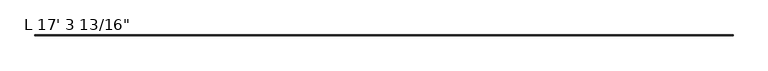
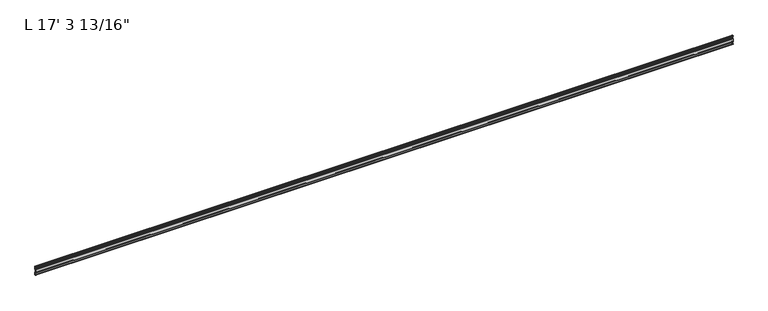
"""IFC4 building model written with IfcOpenShell, lengths in millimetres: proxy geometry."""

from ifc_helpers import new_model, si_unit, point, frame, frame_2d, origin, place, context, project, spatial, polyline, circle_curve, trimmed, segment, composite_curve, outline, extrude, source, transform, mapped, element, save


def proxy_050f3816(model_context):
    return source(origin(), model_context, "Body", "SweptSolid", [
        extrude(outline(composite_curve([segment(trimmed(circle_curve(frame_2d((14.5481808, -29.2063136)), 3.048), [point((13.6400687, -32.1158903))], [point((11.9462301, -30.7938136))], False, "CARTESIAN"), True, "CONTINUOUS"), segment(trimmed(circle_curve(frame_2d((14.5481808, -29.2063136)), 3.048), [point((11.9462301, -30.7938136))], [point((13.6400687, -26.2967369))], False, "CARTESIAN"), True, "CONTINUOUS"), segment(polyline([(13.6400687, -26.2967369), (15.4364113, -25.7360779)]), True, "CONTINUOUS"), segment(trimmed(circle_curve(frame_2d((15.6245238, -26.2747792)), 0.5706009), [point((15.4364113, -25.7360779))], [point((16.1779173, -26.4138515))], False, "CARTESIAN"), True, "CONTINUOUS"), segment(trimmed(circle_curve(frame_2d((16.9169378, -26.5995734)), 0.762), [point((16.1779173, -26.4138515))], [point((16.9376166, -27.3612928))], True, "CARTESIAN"), True, "CONTINUOUS"), segment(trimmed(circle_curve(frame_2d((16.9545, -26.8535734)), 0.508), [point((16.9376166, -27.3612928))], [point((17.4625, -26.8535734))], True, "CARTESIAN"), True, "CONTINUOUS"), segment(polyline([(17.4625, -26.8535734), (17.4625, -15.6659614), (17.9716639, -14.7485418), (17.9716639, -13.408381), (17.4625, -12.4909614), (17.4625, -10.1123329)]), True, "CONTINUOUS"), segment(trimmed(circle_curve(frame_2d((15.875, -10.1123329)), 1.5875), [point((17.4625, -10.1123329))], [point((15.875, -8.5248329))], True, "CARTESIAN"), True, "CONTINUOUS"), segment(polyline([(15.875, -8.5248329), (11.1125, -8.5248329), (11.1125, 16.902011), (15.875, 16.902011)]), True, "CONTINUOUS"), segment(trimmed(circle_curve(frame_2d((15.875, 18.489511)), 1.5875), [point((15.875, 16.902011))], [point((17.4625, 18.489511))], True, "CARTESIAN"), True, "CONTINUOUS"), segment(polyline([(17.4625, 18.489511), (17.4625, 20.8681395), (17.9716639, 21.7855591), (17.9716639, 23.1257199), (17.4625, 24.0431395), (17.4625, 35.2307515)]), True, "CONTINUOUS"), segment(trimmed(circle_curve(frame_2d((16.9545, 35.2307515)), 0.508), [point((17.4625, 35.2307515))], [point((16.9376166, 35.7384709))], True, "CARTESIAN"), True, "CONTINUOUS"), segment(trimmed(circle_curve(frame_2d((16.9169378, 34.9767515)), 0.762), [point((16.9376166, 35.7384709))], [point((16.1779173, 34.7910296))], True, "CARTESIAN"), True, "CONTINUOUS"), segment(trimmed(circle_curve(frame_2d((15.6245238, 34.6519573)), 0.5706009), [point((16.1779173, 34.7910296))], [point((15.4364113, 34.113256))], False, "CARTESIAN"), True, "CONTINUOUS"), segment(polyline([(15.4364113, 34.113256), (13.6400687, 34.673915)]), True, "CONTINUOUS"), segment(trimmed(circle_curve(frame_2d((14.5481808, 37.5834917)), 3.048), [point((13.6400687, 34.673915))], [point((11.9462301, 39.1709917))], False, "CARTESIAN"), True, "CONTINUOUS"), segment(trimmed(circle_curve(frame_2d((14.5481808, 37.5834917)), 3.048), [point((11.9462301, 39.1709917))], [point((13.6400687, 40.4930684))], False, "CARTESIAN"), True, "CONTINUOUS"), segment(polyline([(13.6400687, 40.4930684), (15.4750158, 41.0657763)]), True, "CONTINUOUS"), segment(trimmed(circle_curve(frame_2d((15.6853088, 40.6458616)), 0.4696291), [point((15.4750158, 41.0657763))], [point((16.1549378, 40.6458616))], False, "CARTESIAN"), True, "CONTINUOUS"), segment(polyline([(16.1549378, 40.6458616), (16.1549378, 39.1042515)]), True, "CONTINUOUS"), segment(trimmed(circle_curve(frame_2d((17.7424378, 39.1042515)), 1.5875), [point((16.1549378, 39.1042515))], [point((17.7424378, 37.5167515))], True, "CARTESIAN"), True, "CONTINUOUS"), segment(polyline([(17.7424378, 37.5167515), (19.05, 37.5167515), (19.05, 16.8792515)]), True, "CONTINUOUS"), segment(trimmed(circle_curve(frame_2d((17.4625, 16.8792515)), 1.5875), [point((19.05, 16.8792515))], [point((17.4625, 15.2917515))], False, "CARTESIAN"), True, "CONTINUOUS"), segment(polyline([(17.4625, 15.2917515), (12.7, 15.2917515), (12.7, -6.9145734), (17.4625, -6.9145734)]), True, "CONTINUOUS"), segment(trimmed(circle_curve(frame_2d((17.4625, -8.5020734)), 1.5875), [point((17.4625, -6.9145734))], [point((19.05, -8.5020734))], False, "CARTESIAN"), True, "CONTINUOUS"), segment(polyline([(19.05, -8.5020734), (19.05, -29.1395734), (17.7424378, -29.1395734)]), True, "CONTINUOUS"), segment(trimmed(circle_curve(frame_2d((17.7424378, -30.7270734)), 1.5875), [point((17.7424378, -29.1395734))], [point((16.1549378, -30.7270734))], True, "CARTESIAN"), True, "CONTINUOUS"), segment(polyline([(16.1549378, -30.7270734), (16.1549378, -32.2686835)]), True, "CONTINUOUS"), segment(trimmed(circle_curve(frame_2d((15.6853088, -32.2686835)), 0.4696291), [point((16.1549378, -32.2686835))], [point((15.4750158, -32.6885982))], False, "CARTESIAN"), True, "CONTINUOUS"), segment(polyline([(15.4750158, -32.6885982), (13.6400687, -32.1158903)]), True, "CONTINUOUS")], self_intersect=False)), frame((-4973.6375, 0.0, 0.0), z_axis=(1.0, 0.0, 0.0), x_axis=(0.0, 1.0, 0.0)), (0.0, 0.0, 1.0), 5278.4375),
    ])


if __name__ == "__main__":
    model = new_model("IFC4")
    model_context = context("Model", 3, world=origin())
    ifc_project = project(units=[si_unit("LENGTHUNIT", "METRE", prefix="MILLI")], contexts=[model_context])
    site = spatial("IfcSite", under=ifc_project)
    building = spatial("IfcBuilding", under=site)
    placement = place(None, origin())
    proxy_shape = proxy_050f3816(model_context)
    element("IfcBuildingElementProxy", 1, Name="L 17' 3 13/16\"", ObjectType="L 17' 3 13/16\"", at=placement, inside=building, context=model_context, shape_type="MappedRepresentation", body=[
        mapped(proxy_shape, transform((0.0, 0.0, 0.0), x_axis=(1.0, 0.0, 0.0), y_axis=(0.0, 1.0, 0.0), z_axis=(0.0, 0.0, 1.0))),
    ])
    save(model, "model.ifc")
